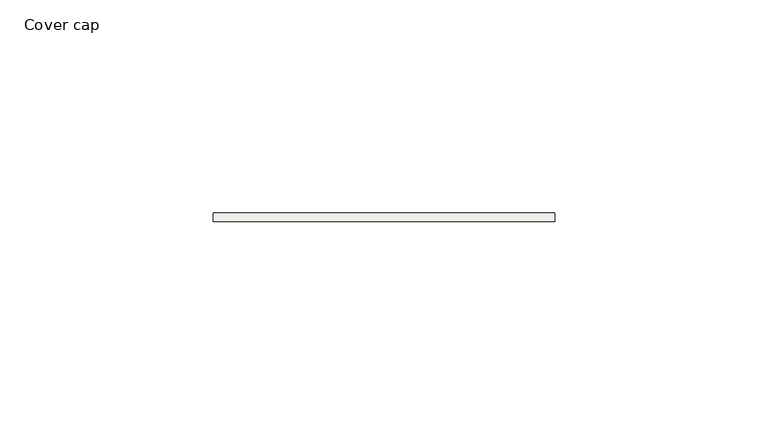
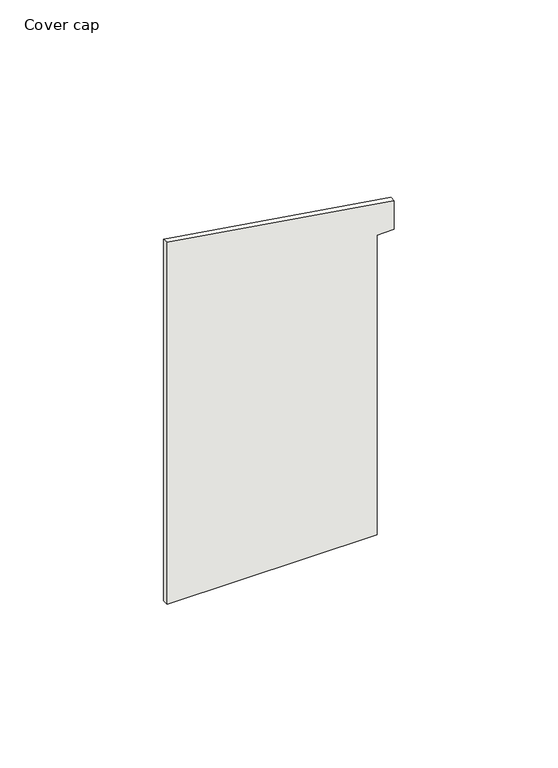
"""IFC4 building model written with IfcOpenShell, lengths in millimetres: covering geometry, Cover cap."""

import ifcopenshell
import ifcopenshell.guid

model = None  # the IFC model being written
_history = None  # IfcOwnerHistory: only IFC2X3 demands one
_inside = {}  # id of a spatial element -> (the spatial element, [elements in it])
_under = {}  # id of a project, library or spatial element -> (it, [spatial elements below it])
_declared = {}  # id of a project -> (the project, [libraries it declares])
_typed = {}  # id of a type object -> (the type object, [elements of that type])
_made_of = {}  # id of a material, layer set ... -> (it, [elements and type objects made of it])


def new_model(schema):
    """Start an empty IFC model of exactly this schema.

    Asked for "IFC4X3", IfcOpenShell would pick the latest addendum, in which some entities
    have other attributes; the version numbers below select the first issue.
    IFC2X3 requires an IfcOwnerHistory on every rooted entity: one is made here for all.
    """
    global model, _history
    if schema == "IFC4X3":
        model = ifcopenshell.file(schema_version=(4, 3, 0, 0))
    else:
        model = ifcopenshell.file(schema=schema)
    _inside.clear()
    _under.clear()
    _declared.clear()
    _typed.clear()
    _made_of.clear()
    _history = None
    if model.schema == "IFC2X3":
        org = make("IfcOrganization", Name="unknown")
        user = make(
            "IfcPersonAndOrganization",
            ThePerson=make("IfcPerson", FamilyName="unknown"),
            TheOrganization=org,
        )
        app = make(
            "IfcApplication",
            ApplicationDeveloper=org,
            Version="unknown",
            ApplicationFullName="unknown",
            ApplicationIdentifier="unknown",
        )
        _history = make(
            "IfcOwnerHistory",
            OwningUser=user,
            OwningApplication=app,
            ChangeAction="ADDED",
            CreationDate=0,
        )
    return model


def make(cls, **values):
    """One entity of the class cls with the attributes given. An attribute that is None is left unset."""
    return model.create_entity(
        cls, **{name: value for name, value in values.items() if value is not None}
    )


def rooted(cls, **values):
    """An entity with a GlobalId (a new one), such as an element, a storey or a relation."""
    return make(cls, GlobalId=ifcopenshell.guid.new(), OwnerHistory=_history, **values)


def si_unit(unit_type, name, prefix=None):
    """IfcSIUnit, for example si_unit("LENGTHUNIT", "METRE", prefix="MILLI")."""
    return make("IfcSIUnit", UnitType=unit_type, Prefix=prefix, Name=name)


def assignment(units):
    """IfcUnitAssignment: the units of a project."""
    return None if units is None else make("IfcUnitAssignment", Units=units)


def point(xyz):
    """IfcCartesianPoint."""
    return None if xyz is None else make("IfcCartesianPoint", Coordinates=xyz)


def direction(xyz):
    """IfcDirection."""
    return None if xyz is None else make("IfcDirection", DirectionRatios=xyz)


def frame(location, z_axis=None, x_axis=None):
    """IfcAxis2Placement3D, a coordinate frame: its origin and axes. An axis left out is left unset."""
    return make(
        "IfcAxis2Placement3D",
        Location=point(location),
        Axis=direction(z_axis),
        RefDirection=direction(x_axis),
    )


def origin():
    """The frame at (0, 0, 0) with its axes left unset."""
    return frame((0.0, 0.0, 0.0))


def place(relative_to, where):
    """IfcLocalPlacement: puts the frame where relative to a parent placement (None: the world)."""
    return make(
        "IfcLocalPlacement", PlacementRelTo=relative_to, RelativePlacement=where
    )


def context(
    kind, dimensions, precision=None, world=None, true_north=None, identifier=None
):
    """IfcGeometricRepresentationContext, for example the 3D "Model" context."""
    return make(
        "IfcGeometricRepresentationContext",
        ContextIdentifier=identifier,
        ContextType=kind,
        CoordinateSpaceDimension=dimensions,
        Precision=precision,
        WorldCoordinateSystem=world,
        TrueNorth=true_north,
    )


def project(units=None, contexts=None):
    """IfcProject with its units and contexts."""
    return rooted(
        "IfcProject",
        Name="project",
        RepresentationContexts=contexts,
        UnitsInContext=assignment(units),
    )


def spatial(cls, under=None, at=None, **own):
    """A site, building, storey or space (cls), placed at a placement, below another one or the project."""
    s = rooted(cls, ObjectPlacement=at, **own)
    if under is not None:
        _under.setdefault(under.id(), (under, []))[1].append(s)
    return s


def polyline(points):
    """IfcPolyline through the points."""
    return make("IfcPolyline", Points=[point(p) for p in points])


def outline(outer, holes=None, kind="AREA"):
    """IfcArbitraryClosedProfileDef: a profile drawn as a closed curve; with holes, ...WithVoids."""
    if holes is None:
        return make("IfcArbitraryClosedProfileDef", ProfileType=kind, OuterCurve=outer)
    return make(
        "IfcArbitraryProfileDefWithVoids",
        ProfileType=kind,
        OuterCurve=outer,
        InnerCurves=holes,
    )


def extrude(swept, where, along, depth):
    """IfcExtrudedAreaSolid: the profile swept, set in the frame where, extruded along a direction by depth."""
    return make(
        "IfcExtrudedAreaSolid",
        SweptArea=swept,
        Position=where,
        ExtrudedDirection=direction(along),
        Depth=depth,
    )


def shape(context_of_items, identifier, shape_type, items):
    """IfcShapeRepresentation: the items that make up one representation, for example the "Body"."""
    return make(
        "IfcShapeRepresentation",
        ContextOfItems=context_of_items,
        RepresentationIdentifier=identifier,
        RepresentationType=shape_type,
        Items=items,
    )


def source(mapping_origin, context_of_items, identifier, shape_type, items):
    """IfcRepresentationMap: a shape defined once, which mapped items show again and again."""
    return make(
        "IfcRepresentationMap",
        MappingOrigin=mapping_origin,
        MappedRepresentation=shape(context_of_items, identifier, shape_type, items),
    )


def transform(
    local_origin,
    x_axis=None,
    y_axis=None,
    z_axis=None,
    scale=None,
    scale2=None,
    scale3=None,
    uniform=True,
):
    """IfcCartesianTransformationOperator3D, or its non-uniform kind. x_axis, y_axis, z_axis: its Axis1, 2, 3."""
    if uniform:
        return make(
            "IfcCartesianTransformationOperator3D",
            Axis1=direction(x_axis),
            Axis2=direction(y_axis),
            LocalOrigin=point(local_origin),
            Scale=scale,
            Axis3=direction(z_axis),
        )
    return make(
        "IfcCartesianTransformationOperator3DnonUniform",
        Axis1=direction(x_axis),
        Axis2=direction(y_axis),
        LocalOrigin=point(local_origin),
        Scale=scale,
        Axis3=direction(z_axis),
        Scale2=scale2,
        Scale3=scale3,
    )


def mapped(mapping_source, mapping_target):
    """IfcMappedItem: shows the shape of a source again, moved by a transform."""
    return make(
        "IfcMappedItem", MappingSource=mapping_source, MappingTarget=mapping_target
    )


def made_of(thing, what):
    """Note that an element or type object is made of a material, layer set ...; save() writes the relation."""
    if what is not None:
        _made_of.setdefault(what.id(), (what, []))[1].append(thing)
    return thing


def element(
    cls,
    number,
    at=None,
    inside=None,
    cuts=None,
    type_object=None,
    material=None,
    context=None,
    identifier="Body",
    shape_type=None,
    held_by="IfcProductDefinitionShape",
    body=None,
    shapes=None,
    **own,
):
    """One element of the class cls, such as IfcWall. Its Tag is "e" and its number.

    at: its placement. inside: the storey or other place that contains it. cuts: it is an
    opening in that element (IfcRelVoidsElement). A single representation is given by context,
    identifier, shape_type and body (its items); several are given by shapes. held_by: the class
    of the entity that holds the representations. save() writes the other relations.
    """
    e = rooted(cls, Tag="e%d" % number, ObjectPlacement=at, **own)
    if body is not None:
        shapes = [shape(context, identifier, shape_type, body)]
    if shapes is not None:
        e.Representation = make(held_by, Representations=shapes)
    if inside is not None:
        _inside.setdefault(inside.id(), (inside, []))[1].append(e)
    if cuts is not None:
        rooted(
            "IfcRelVoidsElement", RelatingBuildingElement=cuts, RelatedOpeningElement=e
        )
    if type_object is not None:
        _typed.setdefault(type_object.id(), (type_object, []))[1].append(e)
    return made_of(e, material)


def aggregate(whole, parts):
    """IfcRelAggregates: a whole, such as a stair, and the parts it consists of."""
    return rooted("IfcRelAggregates", RelatingObject=whole, RelatedObjects=parts)


def save(model, path):
    """Write the relations noted so far, then the file.

    IfcRelAggregates (storeys below a building ...), IfcRelContainedInSpatialStructure (elements
    in a storey), IfcRelDefinesByType, IfcRelAssociatesMaterial and IfcRelDeclares: one each for
    every whole, place, type object, material and project.
    """
    for whole, parts in _under.values():
        aggregate(whole, parts)
    for where, things in _inside.values():
        rooted(
            "IfcRelContainedInSpatialStructure",
            RelatedElements=things,
            RelatingStructure=where,
        )
    for kind, things in _typed.values():
        rooted("IfcRelDefinesByType", RelatedObjects=things, RelatingType=kind)
    for what, things in _made_of.values():
        rooted("IfcRelAssociatesMaterial", RelatedObjects=things, RelatingMaterial=what)
    for by, libraries in _declared.values():
        rooted("IfcRelDeclares", RelatingContext=by, RelatedDefinitions=libraries)
    model.write(path)


def cover_cap_6b1b9bcb(model_context):
    return source(origin(), model_context, "Body", "SweptSolid", [
        extrude(outline(polyline([(132.7051053, -7.0), (-2.0, -7.0), (-2.0, 67.0), (109.5, 67.0), (109.5, 73.0), (120.2855349, 73.0), (132.7051053, -7.0)])), frame((0.0, 0.0, 0.0), z_axis=(0.0, 1.0, 0.0), x_axis=(0.0, 0.0, 1.0)), (0.0, 0.0, 1.0), 2.0),
    ])


if __name__ == "__main__":
    model = new_model("IFC4")
    model_context = context("Model", 3, world=origin())
    ifc_project = project(units=[si_unit("LENGTHUNIT", "METRE", prefix="MILLI")], contexts=[model_context])
    site = spatial("IfcSite", under=ifc_project)
    building = spatial("IfcBuilding", under=site)
    placement = place(None, origin())
    cover_cap_shape = cover_cap_6b1b9bcb(model_context)
    element("IfcCovering", 1, ObjectType="Cover cap", at=placement, inside=building, context=model_context, shape_type="MappedRepresentation", body=[
        mapped(cover_cap_shape, transform((0.0, 0.0, 0.0), x_axis=(1.0, 0.0, 0.0), y_axis=(0.0, 1.0, 0.0), z_axis=(0.0, 0.0, 1.0))),
    ])
    save(model, "model.ifc")
